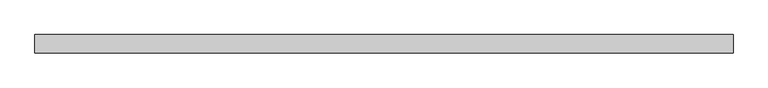
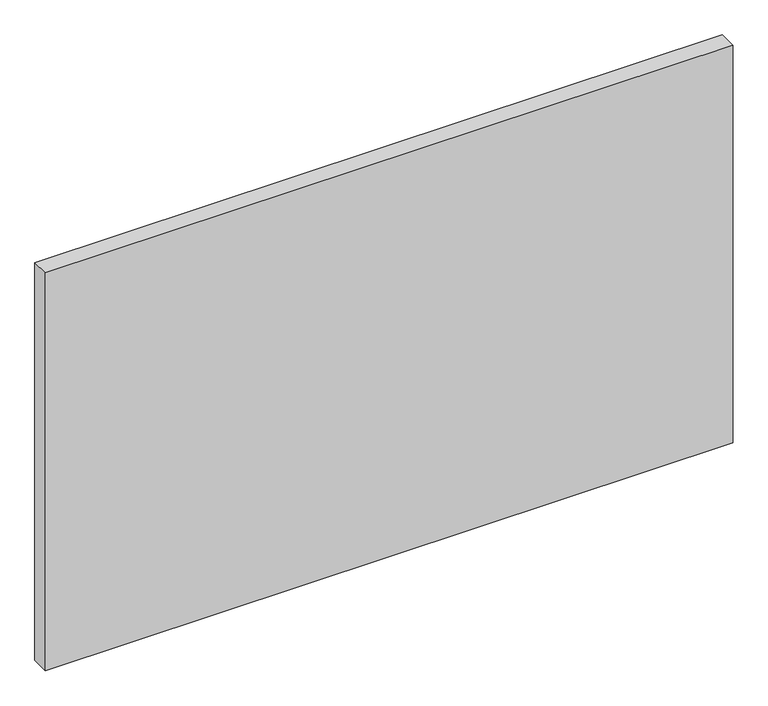
"""IFC4 building model written with IfcOpenShell, lengths in millimetres: plate geometry."""

from ifc_helpers import new_model, si_unit, origin, origin_with_axes, place, context, project, spatial, polyline, outline, extrude, source, transform, mapped, element, save


def plate_676c4413(model_context):
    return source(origin(), model_context, "Body", "SweptSolid", [
        extrude(outline(polyline([(670.9320652, -17.5), (-670.9320652, -17.5), (-670.9320652, 17.5), (670.9320652, 17.5), (670.9320652, -17.5)])), origin_with_axes(), (0.0, 0.0, 1.0), 820.2884118),
    ])


if __name__ == "__main__":
    model = new_model("IFC4")
    model_context = context("Model", 3, world=origin())
    ifc_project = project(units=[si_unit("LENGTHUNIT", "METRE", prefix="MILLI")], contexts=[model_context])
    site = spatial("IfcSite", under=ifc_project)
    building = spatial("IfcBuilding", under=site)
    placement = place(None, origin())
    plate_shape = plate_676c4413(model_context)
    element("IfcPlate", 1, at=placement, inside=building, context=model_context, shape_type="MappedRepresentation", body=[
        mapped(plate_shape, transform((0.0, 0.0, 0.0), x_axis=(1.0, 0.0, 0.0), y_axis=(0.0, 1.0, 0.0), z_axis=(0.0, 0.0, 1.0))),
    ])
    save(model, "model.ifc")
